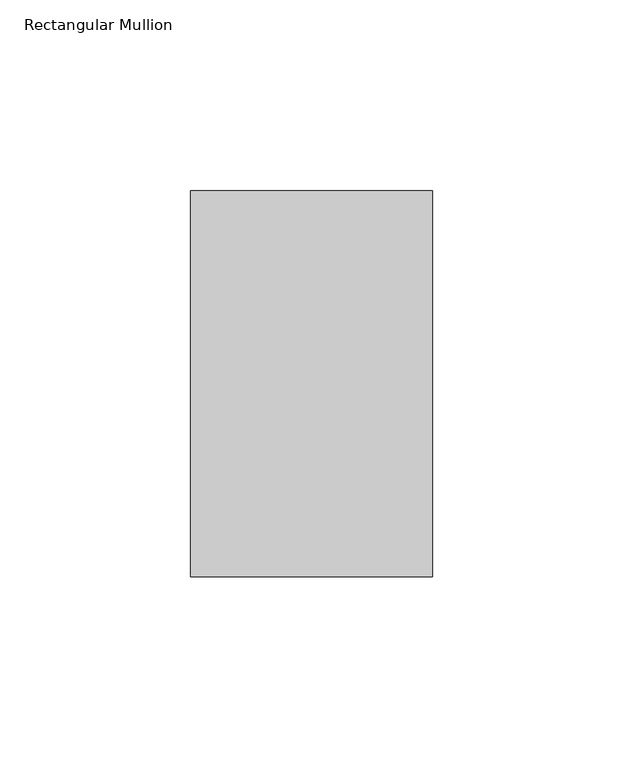
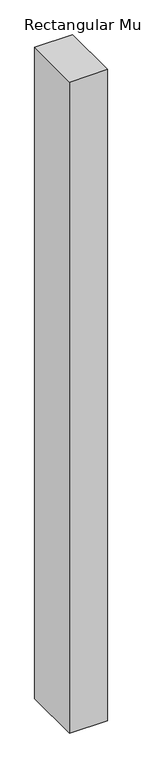
"""IFC4 building model written with IfcOpenShell, lengths in millimetres: member geometry, Rectangular Mullion."""

from ifc_helpers import new_model, si_unit, frame, origin, place, context, project, spatial, polyline, outline, extrude, source, transform, mapped, element, save


def rectangular_mullion_a1cf21a3(model_context):
    return source(origin(), model_context, "Body", "SweptSolid", [
        extrude(outline(polyline([(-31.75, 152.4896938), (31.75, 152.4896938), (31.75, 51.2960938), (-31.75, 51.2960937), (-31.75, 152.4896938)])), frame((0.0, 0.0, -1155.7), z_axis=(0.0, 0.0, 1.0), x_axis=(1.0, 0.0, 0.0)), (0.0, 0.0, 1.0), 1155.7),
    ])


if __name__ == "__main__":
    model = new_model("IFC4")
    model_context = context("Model", 3, world=origin())
    ifc_project = project(units=[si_unit("LENGTHUNIT", "METRE", prefix="MILLI")], contexts=[model_context])
    site = spatial("IfcSite", under=ifc_project)
    building = spatial("IfcBuilding", under=site)
    placement = place(None, origin())
    rectangular_mullion_shape = rectangular_mullion_a1cf21a3(model_context)
    element("IfcMember", 1, ObjectType="Rectangular Mullion", at=placement, inside=building, context=model_context, shape_type="MappedRepresentation", body=[
        mapped(rectangular_mullion_shape, transform((0.0, 0.0, 0.0), x_axis=(1.0, 0.0, 0.0), y_axis=(0.0, 1.0, 0.0), z_axis=(0.0, 0.0, 1.0))),
    ])
    save(model, "model.ifc")
